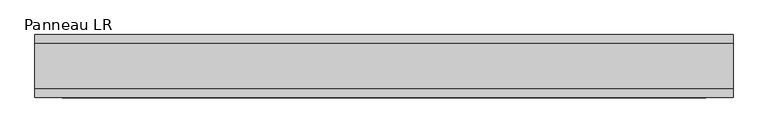
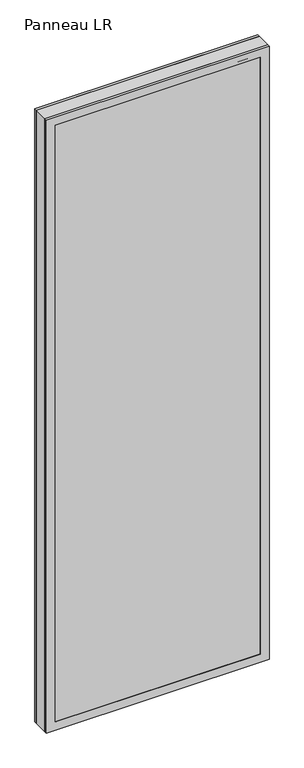
"""IFC4 building model written with IfcOpenShell, lengths in millimetres: plate geometry, Panneau LR."""

import ifcopenshell
import ifcopenshell.guid

model = None  # the IFC model being written
_history = None  # IfcOwnerHistory: only IFC2X3 demands one
_inside = {}  # id of a spatial element -> (the spatial element, [elements in it])
_under = {}  # id of a project, library or spatial element -> (it, [spatial elements below it])
_declared = {}  # id of a project -> (the project, [libraries it declares])
_typed = {}  # id of a type object -> (the type object, [elements of that type])
_made_of = {}  # id of a material, layer set ... -> (it, [elements and type objects made of it])


def new_model(schema):
    """Start an empty IFC model of exactly this schema.

    Asked for "IFC4X3", IfcOpenShell would pick the latest addendum, in which some entities
    have other attributes; the version numbers below select the first issue.
    IFC2X3 requires an IfcOwnerHistory on every rooted entity: one is made here for all.
    """
    global model, _history
    if schema == "IFC4X3":
        model = ifcopenshell.file(schema_version=(4, 3, 0, 0))
    else:
        model = ifcopenshell.file(schema=schema)
    _inside.clear()
    _under.clear()
    _declared.clear()
    _typed.clear()
    _made_of.clear()
    _history = None
    if model.schema == "IFC2X3":
        org = make("IfcOrganization", Name="unknown")
        user = make(
            "IfcPersonAndOrganization",
            ThePerson=make("IfcPerson", FamilyName="unknown"),
            TheOrganization=org,
        )
        app = make(
            "IfcApplication",
            ApplicationDeveloper=org,
            Version="unknown",
            ApplicationFullName="unknown",
            ApplicationIdentifier="unknown",
        )
        _history = make(
            "IfcOwnerHistory",
            OwningUser=user,
            OwningApplication=app,
            ChangeAction="ADDED",
            CreationDate=0,
        )
    return model


def make(cls, **values):
    """One entity of the class cls with the attributes given. An attribute that is None is left unset."""
    return model.create_entity(
        cls, **{name: value for name, value in values.items() if value is not None}
    )


def rooted(cls, **values):
    """An entity with a GlobalId (a new one), such as an element, a storey or a relation."""
    return make(cls, GlobalId=ifcopenshell.guid.new(), OwnerHistory=_history, **values)


def si_unit(unit_type, name, prefix=None):
    """IfcSIUnit, for example si_unit("LENGTHUNIT", "METRE", prefix="MILLI")."""
    return make("IfcSIUnit", UnitType=unit_type, Prefix=prefix, Name=name)


def assignment(units):
    """IfcUnitAssignment: the units of a project."""
    return None if units is None else make("IfcUnitAssignment", Units=units)


def point(xyz):
    """IfcCartesianPoint."""
    return None if xyz is None else make("IfcCartesianPoint", Coordinates=xyz)


def direction(xyz):
    """IfcDirection."""
    return None if xyz is None else make("IfcDirection", DirectionRatios=xyz)


def frame(location, z_axis=None, x_axis=None):
    """IfcAxis2Placement3D, a coordinate frame: its origin and axes. An axis left out is left unset."""
    return make(
        "IfcAxis2Placement3D",
        Location=point(location),
        Axis=direction(z_axis),
        RefDirection=direction(x_axis),
    )


def origin():
    """The frame at (0, 0, 0) with its axes left unset."""
    return frame((0.0, 0.0, 0.0))


def place(relative_to, where):
    """IfcLocalPlacement: puts the frame where relative to a parent placement (None: the world)."""
    return make(
        "IfcLocalPlacement", PlacementRelTo=relative_to, RelativePlacement=where
    )


def context(
    kind, dimensions, precision=None, world=None, true_north=None, identifier=None
):
    """IfcGeometricRepresentationContext, for example the 3D "Model" context."""
    return make(
        "IfcGeometricRepresentationContext",
        ContextIdentifier=identifier,
        ContextType=kind,
        CoordinateSpaceDimension=dimensions,
        Precision=precision,
        WorldCoordinateSystem=world,
        TrueNorth=true_north,
    )


def project(units=None, contexts=None):
    """IfcProject with its units and contexts."""
    return rooted(
        "IfcProject",
        Name="project",
        RepresentationContexts=contexts,
        UnitsInContext=assignment(units),
    )


def spatial(cls, under=None, at=None, **own):
    """A site, building, storey or space (cls), placed at a placement, below another one or the project."""
    s = rooted(cls, ObjectPlacement=at, **own)
    if under is not None:
        _under.setdefault(under.id(), (under, []))[1].append(s)
    return s


def polyline(points):
    """IfcPolyline through the points."""
    return make("IfcPolyline", Points=[point(p) for p in points])


def outline(outer, holes=None, kind="AREA"):
    """IfcArbitraryClosedProfileDef: a profile drawn as a closed curve; with holes, ...WithVoids."""
    if holes is None:
        return make("IfcArbitraryClosedProfileDef", ProfileType=kind, OuterCurve=outer)
    return make(
        "IfcArbitraryProfileDefWithVoids",
        ProfileType=kind,
        OuterCurve=outer,
        InnerCurves=holes,
    )


def extrude(swept, where, along, depth):
    """IfcExtrudedAreaSolid: the profile swept, set in the frame where, extruded along a direction by depth."""
    return make(
        "IfcExtrudedAreaSolid",
        SweptArea=swept,
        Position=where,
        ExtrudedDirection=direction(along),
        Depth=depth,
    )


def faces_of(points, faces, orient=None, outer=None):
    """IfcFace entities. A face is a list of loops; a loop is a list of indices into points, from 0.

    orient and outer hold one flag for each loop. By default every Orientation is true, the
    first loop of a face is its IfcFaceOuterBound and the others are IfcFaceBound.
    """
    made = []
    for i, loops in enumerate(faces):
        bounds = []
        for j, loop in enumerate(loops):
            is_outer = j == 0 if outer is None else outer[i][j]
            bounds.append(
                make(
                    "IfcFaceOuterBound" if is_outer else "IfcFaceBound",
                    Bound=make("IfcPolyLoop", Polygon=[points[k] for k in loop]),
                    Orientation=True if orient is None else orient[i][j],
                )
            )
        made.append(make("IfcFace", Bounds=bounds))
    return made


def faceted_brep(points, faces, orient=None, outer=None, voids=None):
    """IfcFacetedBrep: a solid bounded by flat faces; with voids (closed shells), ...WithVoids."""
    shared = [point(p) for p in points]
    hull = make("IfcClosedShell", CfsFaces=faces_of(shared, faces, orient, outer))
    if voids is None:
        return make("IfcFacetedBrep", Outer=hull)
    return make(
        "IfcFacetedBrepWithVoids",
        Outer=hull,
        Voids=[
            make(cls, CfsFaces=faces_of(shared, fs, o, b)) for cls, fs, o, b in voids
        ],
    )


def shape(context_of_items, identifier, shape_type, items):
    """IfcShapeRepresentation: the items that make up one representation, for example the "Body"."""
    return make(
        "IfcShapeRepresentation",
        ContextOfItems=context_of_items,
        RepresentationIdentifier=identifier,
        RepresentationType=shape_type,
        Items=items,
    )


def source(mapping_origin, context_of_items, identifier, shape_type, items):
    """IfcRepresentationMap: a shape defined once, which mapped items show again and again."""
    return make(
        "IfcRepresentationMap",
        MappingOrigin=mapping_origin,
        MappedRepresentation=shape(context_of_items, identifier, shape_type, items),
    )


def transform(
    local_origin,
    x_axis=None,
    y_axis=None,
    z_axis=None,
    scale=None,
    scale2=None,
    scale3=None,
    uniform=True,
):
    """IfcCartesianTransformationOperator3D, or its non-uniform kind. x_axis, y_axis, z_axis: its Axis1, 2, 3."""
    if uniform:
        return make(
            "IfcCartesianTransformationOperator3D",
            Axis1=direction(x_axis),
            Axis2=direction(y_axis),
            LocalOrigin=point(local_origin),
            Scale=scale,
            Axis3=direction(z_axis),
        )
    return make(
        "IfcCartesianTransformationOperator3DnonUniform",
        Axis1=direction(x_axis),
        Axis2=direction(y_axis),
        LocalOrigin=point(local_origin),
        Scale=scale,
        Axis3=direction(z_axis),
        Scale2=scale2,
        Scale3=scale3,
    )


def mapped(mapping_source, mapping_target):
    """IfcMappedItem: shows the shape of a source again, moved by a transform."""
    return make(
        "IfcMappedItem", MappingSource=mapping_source, MappingTarget=mapping_target
    )


def made_of(thing, what):
    """Note that an element or type object is made of a material, layer set ...; save() writes the relation."""
    if what is not None:
        _made_of.setdefault(what.id(), (what, []))[1].append(thing)
    return thing


def element(
    cls,
    number,
    at=None,
    inside=None,
    cuts=None,
    type_object=None,
    material=None,
    context=None,
    identifier="Body",
    shape_type=None,
    held_by="IfcProductDefinitionShape",
    body=None,
    shapes=None,
    **own,
):
    """One element of the class cls, such as IfcWall. Its Tag is "e" and its number.

    at: its placement. inside: the storey or other place that contains it. cuts: it is an
    opening in that element (IfcRelVoidsElement). A single representation is given by context,
    identifier, shape_type and body (its items); several are given by shapes. held_by: the class
    of the entity that holds the representations. save() writes the other relations.
    """
    e = rooted(cls, Tag="e%d" % number, ObjectPlacement=at, **own)
    if body is not None:
        shapes = [shape(context, identifier, shape_type, body)]
    if shapes is not None:
        e.Representation = make(held_by, Representations=shapes)
    if inside is not None:
        _inside.setdefault(inside.id(), (inside, []))[1].append(e)
    if cuts is not None:
        rooted(
            "IfcRelVoidsElement", RelatingBuildingElement=cuts, RelatedOpeningElement=e
        )
    if type_object is not None:
        _typed.setdefault(type_object.id(), (type_object, []))[1].append(e)
    return made_of(e, material)


def aggregate(whole, parts):
    """IfcRelAggregates: a whole, such as a stair, and the parts it consists of."""
    return rooted("IfcRelAggregates", RelatingObject=whole, RelatedObjects=parts)


def save(model, path):
    """Write the relations noted so far, then the file.

    IfcRelAggregates (storeys below a building ...), IfcRelContainedInSpatialStructure (elements
    in a storey), IfcRelDefinesByType, IfcRelAssociatesMaterial and IfcRelDeclares: one each for
    every whole, place, type object, material and project.
    """
    for whole, parts in _under.values():
        aggregate(whole, parts)
    for where, things in _inside.values():
        rooted(
            "IfcRelContainedInSpatialStructure",
            RelatedElements=things,
            RelatingStructure=where,
        )
    for kind, things in _typed.values():
        rooted("IfcRelDefinesByType", RelatedObjects=things, RelatingType=kind)
    for what, things in _made_of.values():
        rooted("IfcRelAssociatesMaterial", RelatedObjects=things, RelatingMaterial=what)
    for by, libraries in _declared.values():
        rooted("IfcRelDeclares", RelatingContext=by, RelatedDefinitions=libraries)
    model.write(path)


def panneau_lr_7e72869d(model_context):
    return source(origin(), model_context, "Body", "SolidModel", [
        faceted_brep([(-499.7748678, 33.0, 2910.0), (-499.7748678, 45.0, 2910.0), (-499.7748678, 45.0, 0.0), (-499.7748678, 33.0, 0.0), (499.7748678, 33.0, 0.0), (499.7748678, 45.0, 0.0), (499.7748678, 45.0, 2910.0), (499.7748678, 33.0, 2910.0), (-460.7748678, 45.0, 2871.0), (-460.7748678, 45.0, 39.0), (460.7748678, 45.0, 39.0), (460.7748678, 45.0, 2871.0), (460.7748678, 43.8, 2871.0), (-460.7748678, 43.8, 2871.0), (-475.7748678, 43.8, 2886.0), (-475.7748678, 43.8, 24.0), (475.7748678, 43.8, 24.0), (475.7748678, 43.8, 2886.0), (460.7748678, 43.8, 39.0), (-460.7748678, 43.8, 39.0), (475.7748678, 33.0, 2886.0), (-475.7748678, 33.0, 2886.0), (475.7748678, 33.0, 24.0), (-475.7748678, 33.0, 24.0)], [[[0, 1, 2, 3]], [[4, 5, 6, 7]], [[6, 1, 0, 7]], [[2, 1, 6, 5], [8, 9, 10, 11]], [[8, 11, 12, 13]], [[14, 15, 16, 17], [13, 12, 18, 19]], [[14, 17, 20, 21]], [[0, 3, 4, 7], [20, 22, 23, 21]], [[23, 22, 16, 15]], [[19, 18, 10, 9]], [[4, 3, 2, 5]], [[21, 23, 15, 14]], [[13, 19, 9, 8]], [[18, 12, 11, 10]], [[22, 20, 17, 16]]]),
        faceted_brep([(-499.7748678, -33.0, 0.0), (-499.7748678, -45.0, 0.0), (-499.7748678, -45.0, 2910.0), (-499.7748678, -33.0, 2910.0), (499.7748678, -45.0, 0.0), (499.7748678, -33.0, 0.0), (499.7748678, -33.0, 2910.0), (499.7748678, -45.0, 2910.0), (460.7748678, -45.0, 2871.0), (460.7748678, -45.0, 39.0), (-460.7748678, -45.0, 39.0), (-460.7748678, -45.0, 2871.0), (-475.7748678, -33.0, 2886.0), (-475.7748678, -33.0, 24.0), (475.7748678, -33.0, 24.0), (475.7748678, -33.0, 2886.0), (475.7748678, -43.8, 2886.0), (-475.7748678, -43.8, 2886.0), (475.7748678, -43.8, 24.0), (-475.7748678, -43.8, 24.0), (-460.7748678, -43.8, 2871.0), (-460.7748678, -43.8, 39.0), (460.7748678, -43.8, 39.0), (460.7748678, -43.8, 2871.0)], [[[0, 1, 2, 3]], [[4, 5, 6, 7]], [[2, 1, 4, 7], [8, 9, 10, 11]], [[6, 3, 2, 7]], [[0, 3, 6, 5], [12, 13, 14, 15]], [[12, 15, 16, 17]], [[17, 16, 18, 19], [20, 21, 22, 23]], [[8, 11, 20, 23]], [[10, 9, 22, 21]], [[19, 18, 14, 13]], [[4, 1, 0, 5]], [[11, 10, 21, 20]], [[17, 19, 13, 12]], [[18, 16, 15, 14]], [[9, 8, 23, 22]]]),
        extrude(outline(polyline([(2910.0, 499.7748678), (2910.0, -499.7748678), (0.0, -499.7748678), (0.0, 499.7748678), (2910.0, 499.7748678)]), holes=[polyline([(46.0, -459.7748678), (2864.0, -459.7748678), (2864.0, 459.7748678), (46.0, 459.7748678), (46.0, -459.7748678)])]), frame((0.0, -33.0, 0.0), z_axis=(0.0, 1.0, 0.0), x_axis=(0.0, 0.0, 1.0)), (0.0, 0.0, 1.0), 66.0),
        extrude(outline(polyline([(475.7748678, 37.8), (-475.7748678, 37.8), (-475.7748678, 43.8), (475.7748678, 43.8), (475.7748678, 37.8)])), frame((0.0, 0.0, 24.0), z_axis=(0.0, 0.0, 1.0), x_axis=(1.0, 0.0, 0.0)), (0.0, 0.0, 1.0), 2862.0),
        extrude(outline(polyline([(-475.7748678, -43.8), (-475.7748678, -37.8), (475.7748678, -37.8), (475.7748678, -43.8), (-475.7748678, -43.8)])), frame((0.0, 0.0, 24.0), z_axis=(0.0, 0.0, 1.0), x_axis=(1.0, 0.0, 0.0)), (0.0, 0.0, 1.0), 2862.0),
    ])


if __name__ == "__main__":
    model = new_model("IFC4")
    model_context = context("Model", 3, world=origin())
    ifc_project = project(units=[si_unit("LENGTHUNIT", "METRE", prefix="MILLI")], contexts=[model_context])
    site = spatial("IfcSite", under=ifc_project)
    building = spatial("IfcBuilding", under=site)
    placement = place(None, origin())
    panneau_lr_shape = panneau_lr_7e72869d(model_context)
    element("IfcPlate", 1, ObjectType="Panneau LR", at=placement, inside=building, context=model_context, shape_type="MappedRepresentation", body=[
        mapped(panneau_lr_shape, transform((0.0, 0.0, 0.0), x_axis=(1.0, 0.0, 0.0), y_axis=(0.0, 1.0, 0.0), z_axis=(0.0, 0.0, 1.0))),
    ])
    save(model, "model.ifc")
